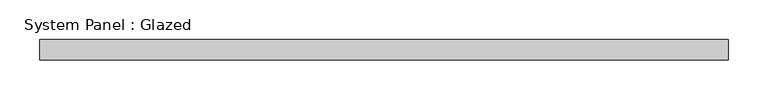
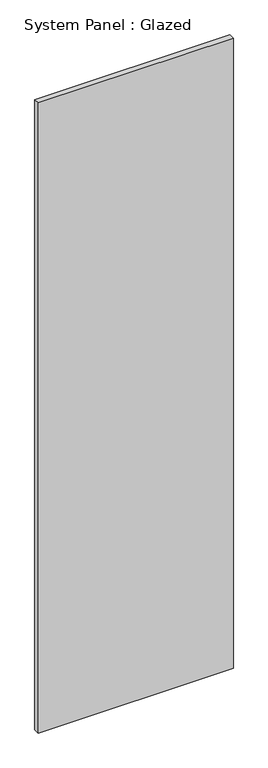
"""IFC4 building model written with IfcOpenShell, lengths in millimetres: plate geometry, System Panel : Glazed."""

from ifc_helpers import new_model, si_unit, origin, origin_with_axes, place, context, project, spatial, polyline, outline, extrude, source, transform, mapped, element, save


def system_panel_glazed_0a6bcc6d(model_context):
    return source(origin(), model_context, "Body", "SweptSolid", [
        extrude(outline(polyline([(431.8, 25.4), (-431.8, 25.4), (-431.8, 50.8), (431.8, 50.8), (431.8, 25.4)])), origin_with_axes(), (0.0, 0.0, 1.0), 2946.4),
    ])


if __name__ == "__main__":
    model = new_model("IFC4")
    model_context = context("Model", 3, world=origin())
    ifc_project = project(units=[si_unit("LENGTHUNIT", "METRE", prefix="MILLI")], contexts=[model_context])
    site = spatial("IfcSite", under=ifc_project)
    building = spatial("IfcBuilding", under=site)
    placement = place(None, origin())
    system_panel_glazed_shape = system_panel_glazed_0a6bcc6d(model_context)
    element("IfcPlate", 1, ObjectType="System Panel : Glazed", at=placement, inside=building, context=model_context, shape_type="MappedRepresentation", body=[
        mapped(system_panel_glazed_shape, transform((0.0, 0.0, 0.0), x_axis=(1.0, 0.0, 0.0), y_axis=(0.0, 1.0, 0.0), z_axis=(0.0, 0.0, 1.0))),
    ])
    save(model, "model.ifc")
